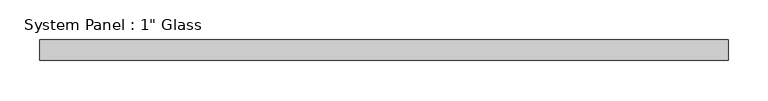
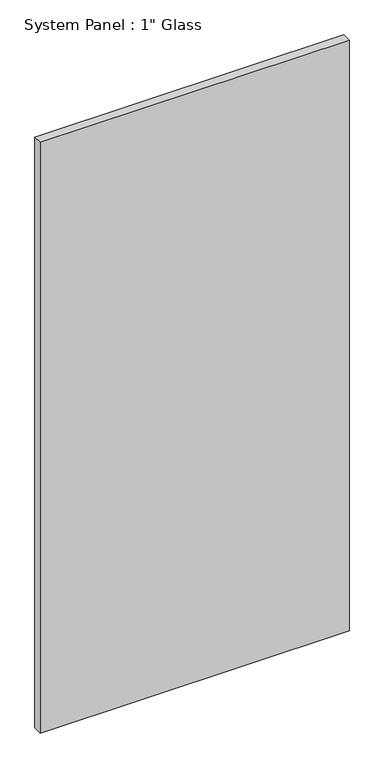
"""IFC4 building model written with IfcOpenShell, lengths in millimetres: plate geometry."""

from ifc_helpers import new_model, si_unit, origin, origin_with_axes, place, context, project, spatial, polyline, outline, extrude, source, transform, mapped, element, save


def plate_eb5c1570(model_context):
    return source(origin(), model_context, "Body", "SweptSolid", [
        extrude(outline(polyline([(430.2825975, -12.7), (-430.2825975, -12.7), (-430.2825975, 12.7), (430.2825975, 12.7), (430.2825975, -12.7)])), origin_with_axes(), (0.0, 0.0, 1.0), 1739.9),
    ])


if __name__ == "__main__":
    model = new_model("IFC4")
    model_context = context("Model", 3, world=origin())
    ifc_project = project(units=[si_unit("LENGTHUNIT", "METRE", prefix="MILLI")], contexts=[model_context])
    site = spatial("IfcSite", under=ifc_project)
    building = spatial("IfcBuilding", under=site)
    placement = place(None, origin())
    plate_shape = plate_eb5c1570(model_context)
    element("IfcPlate", 1, ObjectType="System Panel : 1\" Glass", at=placement, inside=building, context=model_context, shape_type="MappedRepresentation", body=[
        mapped(plate_shape, transform((0.0, 0.0, 0.0), x_axis=(1.0, 0.0, 0.0), y_axis=(0.0, 1.0, 0.0), z_axis=(0.0, 0.0, 1.0))),
    ])
    save(model, "model.ifc")
